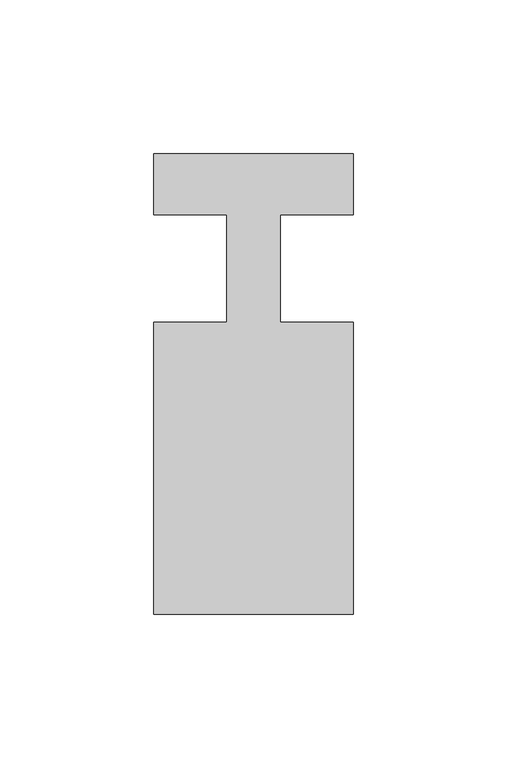
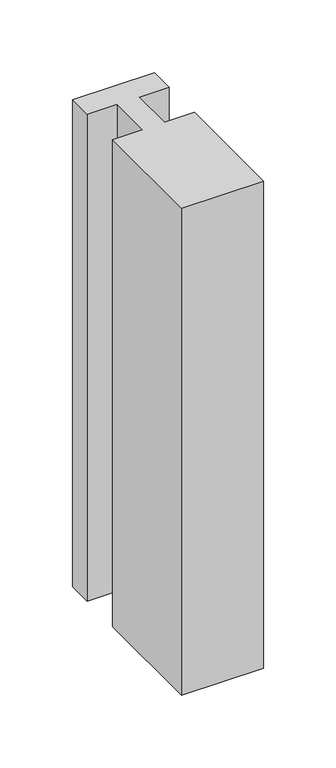
"""IFC4 building model written with IfcOpenShell, lengths in millimetres: member geometry."""

from ifc_helpers import new_model, si_unit, frame, origin, place, context, project, spatial, polyline, outline, extrude, source, transform, mapped, element, save


def member_a8e6b318(model_context):
    return source(origin(), model_context, "Body", "SweptSolid", [
        extrude(outline(polyline([(0.0, 37.0), (0.0, 17.0), (-23.8125, 17.0), (-23.8125, -18.0), (0.0, -18.0), (0.0, -113.0), (-65.0, -113.0), (-65.0, -18.0), (-41.1875, -18.0), (-41.1875, 17.0), (-65.0, 17.0), (-65.0, 37.0), (0.0, 37.0)])), frame((0.0, 0.0, -408.8125), z_axis=(0.0, 0.0, 1.0), x_axis=(1.0, 0.0, 0.0)), (0.0, 0.0, 1.0), 408.8125),
    ])


if __name__ == "__main__":
    model = new_model("IFC4")
    model_context = context("Model", 3, world=origin())
    ifc_project = project(units=[si_unit("LENGTHUNIT", "METRE", prefix="MILLI")], contexts=[model_context])
    site = spatial("IfcSite", under=ifc_project)
    building = spatial("IfcBuilding", under=site)
    placement = place(None, origin())
    member_shape = member_a8e6b318(model_context)
    element("IfcMember", 1, at=placement, inside=building, context=model_context, shape_type="MappedRepresentation", body=[
        mapped(member_shape, transform((0.0, 0.0, 0.0), x_axis=(1.0, 0.0, 0.0), y_axis=(0.0, 1.0, 0.0), z_axis=(0.0, 0.0, 1.0))),
    ])
    save(model, "model.ifc")
